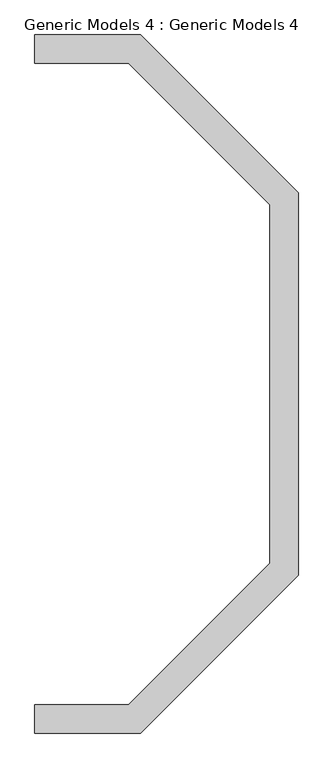
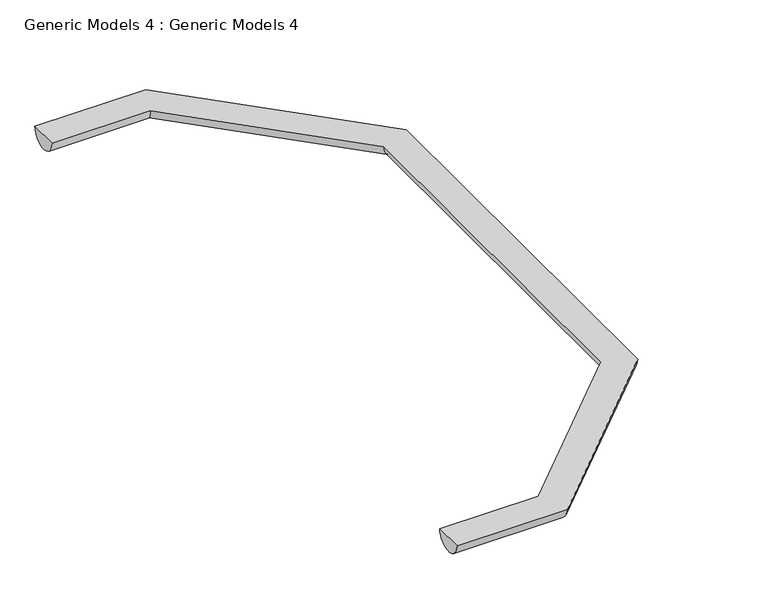
"""IFC4 building model written with IfcOpenShell, lengths in millimetres: proxy geometry, Generic Models 4 : Generic Models 4."""

from ifc_helpers import new_model, si_unit, frame, origin, place, context, project, spatial, circle_curve, ellipse_curve, source, transform, mapped, element, save
from ifc_brep_helpers import plane_surface, cylinder_surface, advanced_brep


def generic_models_4_generic_models_4_13da81c8(model_context):
    return source(origin(), model_context, "Body", "AdvancedBrep", [
        advanced_brep(
        [(17337.1611361, 10221.7226182, 4680.7781554), (17337.1611361, 10361.7226182, 4680.7781554), (17856.5723911, 10221.7226182, 4680.7781554), (18632.5521885, 10997.7024157, 4680.7781554), (18632.5521885, 12876.5249256, 4680.7781554), (17856.5723911, 13652.5047231, 4680.7781554), (17337.1611361, 13652.5047231, 4680.7781554), (17337.1611361, 13512.5047231, 4680.7781554), (17798.5824923, 13512.5047231, 4680.7781554), (18492.5521885, 12818.5350269, 4680.7781554), (18492.5521885, 11055.6923144, 4680.7781554), (17798.5824923, 10361.7226182, 4680.7781554)],
        [
            (0, 1),
            (1, 0, circle_curve(frame((17337.1611361, 10291.7226182, 4680.7781554), z_axis=(-1.0, 0.0, 0.0), x_axis=(0.0, 1.0, 0.0)), 70.0)),
            (0, 2),
            (2, 3),
            (3, 4),
            (4, 5),
            (5, 6),
            (6, 7),
            (7, 8),
            (8, 9),
            (9, 10),
            (10, 11),
            (11, 1),
            (11, 2, ellipse_curve(frame((17827.5774417, 10291.7226182, 4680.7781554), z_axis=(-0.923879532511287, -0.382683432365089, 0.0), x_axis=(-0.3826834323650895, 0.923879532511287, 0.0)), 75.767454, 70.0)),
            (10, 3, ellipse_curve(frame((18562.5521885, 11026.6973651, 4680.7781554), z_axis=(-0.38268343236509106, -0.9238795325112863, 0.0), x_axis=(-0.9238795325112862, 0.3826834323650911, 0.0)), 75.767454, 70.0)),
            (9, 4, ellipse_curve(frame((18562.5521885, 12847.5299763, 4680.7781554), z_axis=(0.3826834323650892, -0.923879532511287, 0.0), x_axis=(-0.9238795325112868, -0.38268343236508917, 0.0)), 75.767454, 70.0)),
            (8, 5, ellipse_curve(frame((17827.5774417, 13582.5047231, 4680.7781554), z_axis=(0.9238795325112867, -0.3826834323650898, 0.0), x_axis=(-0.3826834323650896, -0.9238795325112867, 0.0)), 75.767454, 70.0)),
            (6, 7, circle_curve(frame((17337.1611361, 13582.5047231, 4680.7781554), z_axis=(-1.0, 0.0, 0.0), x_axis=(0.0, -1.0, 0.0)), 70.0)),
        ],
        [
            plane_surface(frame((17337.1611361, 10361.7226182, 4000.0), z_axis=(-1.0, 0.0, 0.0), x_axis=(0.0, 0.0, 1.0))),
            plane_surface(frame((17337.1611361, 10221.7226182, 4680.7781554), z_axis=(0.0, 0.0, 1.0), x_axis=(1.0, 0.0, 0.0))),
            cylinder_surface(frame((17337.1611361, 10291.7226182, 4680.7781554), z_axis=(-1.0, 0.0, 0.0), x_axis=(0.0, 1.0, 0.0)), 70.0),
            cylinder_surface(frame((17848.079967, 10312.2251436, 4680.7781554), z_axis=(-0.7071067811865487, -0.7071067811865465, 0.0), x_axis=(-0.7071067811865465, 0.7071067811865487, 0.0)), 70.0),
            cylinder_surface(frame((18562.5521885, 11055.6923144, 4680.7781554), z_axis=(0.0, -1.0, 0.0), x_axis=(-1.0, 0.0, 0.0)), 70.0),
            cylinder_surface(frame((18542.0496632, 12868.0325016, 4680.7781554), z_axis=(0.7071067811865476, -0.7071067811865475, 0.0), x_axis=(-0.7071067811865475, -0.7071067811865476, 0.0)), 70.0),
            plane_surface(frame((17337.1611361, 13512.5047231, 4000.0), z_axis=(-1.0, 0.0, 0.0), x_axis=(0.0, 0.0, 1.0))),
            cylinder_surface(frame((17798.5824923, 13582.5047231, 4680.7781554), z_axis=(1.0, 0.0, 0.0), x_axis=(0.0, -1.0, 0.0)), 70.0),
        ],
        [
            (0, [[1, 2]]),
            (1, [[-1, 3, 4, 5, 6, 7, 8, 9, 10, 11, 12, 13]]),
            (2, [[-2, -13, 14, -3]]),
            (3, [[-14, -12, 15, -4]]),
            (4, [[-15, -11, 16, -5]]),
            (5, [[-16, -10, 17, -6]]),
            (6, [[18, -8]]),
            (7, [[-17, -9, -18, -7]]),
        ],
    ),
    ])


if __name__ == "__main__":
    model = new_model("IFC4")
    model_context = context("Model", 3, world=origin())
    ifc_project = project(units=[si_unit("LENGTHUNIT", "METRE", prefix="MILLI")], contexts=[model_context])
    site = spatial("IfcSite", under=ifc_project)
    building = spatial("IfcBuilding", under=site)
    placement = place(None, origin())
    generic_models_4_generic_models_4_shape = generic_models_4_generic_models_4_13da81c8(model_context)
    element("IfcBuildingElementProxy", 1, Name="Generic Models 4 : Generic Models 4", ObjectType="Generic Models 4 : Generic Models 4", at=placement, inside=building, context=model_context, shape_type="MappedRepresentation", body=[
        mapped(generic_models_4_generic_models_4_shape, transform((0.0, 0.0, 0.0), x_axis=(1.0, 0.0, 0.0), y_axis=(0.0, 1.0, 0.0), z_axis=(0.0, 0.0, 1.0))),
    ])
    save(model, "model.ifc")
